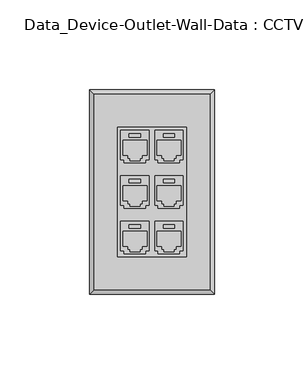
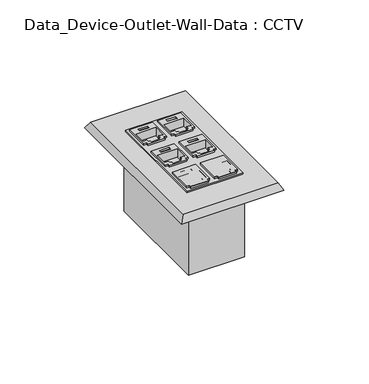
"""IFC4 building model written with IfcOpenShell, lengths in millimetres: electric appliance geometry, Data_Device-Outlet-Wall-Data : CCTV."""

from ifc_helpers import new_model, si_unit, frame, origin, place, context, project, spatial, polyline, outline, extrude, faceted_brep, source, transform, mapped, element, save


def data_device_outlet_wall_data_cctv_8153a15e(model_context):
    return source(origin(), model_context, "Body", "SolidModel", [
        faceted_brep([(12.7, -20.14, 5.0355231), (12.7, -18.235, 5.0355231), (6.35, -18.235, 5.0355231), (6.35, -20.14, 5.0355231), (6.35, -20.14, 6.3055231), (12.7, -20.14, 6.3055231), (6.35, -18.235, 6.3055231), (12.7, -18.235, 6.3055231), (17.399, -34.4298547, 3.8315631), (17.399, -32.8423547, 3.8315631), (15.52448, -32.8423547, 3.8315631), (15.52448, -34.4298547, 3.8315631), (17.399, -32.8423547, 6.3055231), (15.52448, -32.8423547, 6.3055231), (15.52448, -34.4298547, 6.3055231), (1.651, -32.8423547, 3.8315631), (1.651, -34.4298547, 3.8315631), (3.52552, -34.4298547, 3.8315631), (3.52552, -32.8423547, 3.8315631), (1.651, -32.8423547, 6.3055231), (3.52552, -32.8423547, 6.3055231), (3.52552, -34.4298547, 6.3055231), (17.399, -34.4298547, -8.1429581), (17.399, -33.6201453, -12.7444769), (17.399, -32.897258, -12.7444769), (17.399, -32.5451453, -18.9944769), (17.399, -32.5451453, -19.3194769), (17.399, -32.4701453, -20.4694769), (17.399, -32.3911513, -24.9194769), (17.399, -16.3701453, -24.9194769), (17.399, -16.3701453, 6.3055231), (1.651, -16.3701453, 6.3055231), (1.651, -16.3701453, -24.9194769), (1.651, -32.3911513, -24.9194769), (1.651, -32.4701453, -20.4694769), (1.651, -32.5451453, -19.3194769), (1.651, -32.5451453, -18.9944769), (1.651, -32.897258, -12.7444769), (1.651, -33.6201453, -12.7444769), (1.651, -34.4298547, -8.1429581), (16.25, -22.0048547, 6.3055231), (2.8, -22.0048547, 6.3055231), (2.8, -22.0048547, -6.3944769), (16.25, -22.0048547, -6.3944769), (16.25, -30.3548547, 6.3055231), (16.25, -30.3548547, -6.3944769), (13.45, -30.3548547, 6.3055231), (13.45, -30.3548547, -6.3944769), (13.45, -32.0298547, 6.3055231), (13.45, -32.0298547, -6.3944769), (12.325, -32.0298547, 6.3055231), (12.325, -32.0298547, -6.3944769), (12.325, -33.3298547, 6.3055231), (12.325, -33.3298547, -6.3944769), (6.725, -33.3298547, 6.3055231), (6.725, -33.3298547, -6.3944769), (6.725, -32.0298547, 6.3055231), (6.725, -32.0298547, -6.3944769), (5.625, -32.0298547, 6.3055231), (5.625, -32.0298547, -6.3944769), (5.625, -30.3548547, 6.3055231), (5.625, -30.3548547, -6.3944769), (2.8, -30.3548547, 6.3055231), (2.8, -30.3548547, -6.3944769)], [[[0, 1, 2, 3]], [[3, 4, 5, 0]], [[2, 6, 4, 3]], [[1, 7, 6, 2]], [[0, 5, 7, 1]], [[8, 9, 10, 11]], [[9, 12, 13, 10]], [[10, 13, 14, 11]], [[15, 16, 17, 18]], [[19, 15, 18, 20]], [[20, 18, 17, 21]], [[12, 9, 8, 22, 23, 24, 25, 26, 27, 28, 29, 30]], [[16, 15, 19, 31, 32, 33, 34, 35, 36, 37, 38, 39]], [[8, 11, 14, 21, 17, 16, 39, 22]], [[40, 41, 42, 43]], [[44, 40, 43, 45]], [[46, 44, 45, 47]], [[48, 46, 47, 49]], [[50, 48, 49, 51]], [[52, 50, 51, 53]], [[54, 52, 53, 55]], [[56, 54, 55, 57]], [[58, 56, 57, 59]], [[60, 58, 59, 61]], [[62, 60, 61, 63]], [[41, 62, 63, 42]], [[42, 63, 61, 59, 57, 55, 53, 51, 49, 47, 45, 43]], [[35, 34, 27, 26]], [[34, 33, 28, 27]], [[33, 32, 29, 28]], [[32, 31, 30, 29]], [[13, 12, 30, 31, 19, 20, 21, 14], [5, 4, 6, 7], [41, 40, 44, 46, 48, 50, 52, 54, 56, 58, 60, 62]], [[39, 38, 23, 22]], [[38, 37, 24, 23]], [[37, 36, 25, 24]], [[36, 35, 26, 25]]]),
        faceted_brep([(-6.35, -20.14, 5.0355231), (-6.35, -18.235, 5.0355231), (-12.7, -18.235, 5.0355231), (-12.7, -20.14, 5.0355231), (-12.7, -20.14, 6.3055231), (-6.35, -20.14, 6.3055231), (-12.7, -18.235, 6.3055231), (-6.35, -18.235, 6.3055231), (-1.651, -34.4298547, 3.8315631), (-1.651, -32.8423547, 3.8315631), (-3.52552, -32.8423547, 3.8315631), (-3.52552, -34.4298547, 3.8315631), (-1.651, -32.8423547, 6.3055231), (-3.52552, -32.8423547, 6.3055231), (-3.52552, -34.4298547, 6.3055231), (-17.399, -32.8423547, 3.8315631), (-17.399, -34.4298547, 3.8315631), (-15.52448, -34.4298547, 3.8315631), (-15.52448, -32.8423547, 3.8315631), (-17.399, -32.8423547, 6.3055231), (-15.52448, -32.8423547, 6.3055231), (-15.52448, -34.4298547, 6.3055231), (-1.651, -34.4298547, -8.1429581), (-1.651, -33.6201453, -12.7444769), (-1.651, -32.897258, -12.7444769), (-1.651, -32.5451453, -18.9944769), (-1.651, -32.5451453, -19.3194769), (-1.651, -32.4701453, -20.4694769), (-1.651, -32.3911513, -24.9194769), (-1.651, -16.3701453, -24.9194769), (-1.651, -16.3701453, 6.3055231), (-17.399, -16.3701453, 6.3055231), (-17.399, -16.3701453, -24.9194769), (-17.399, -32.3911513, -24.9194769), (-17.399, -32.4701453, -20.4694769), (-17.399, -32.5451453, -19.3194769), (-17.399, -32.5451453, -18.9944769), (-17.399, -32.897258, -12.7444769), (-17.399, -33.6201453, -12.7444769), (-17.399, -34.4298547, -8.1429581), (-2.8, -22.0048547, 6.3055231), (-16.25, -22.0048547, 6.3055231), (-16.25, -22.0048547, -6.3944769), (-2.8, -22.0048547, -6.3944769), (-2.8, -30.3548547, 6.3055231), (-2.8, -30.3548547, -6.3944769), (-5.6, -30.3548547, 6.3055231), (-5.6, -30.3548547, -6.3944769), (-5.6, -32.0298547, 6.3055231), (-5.6, -32.0298547, -6.3944769), (-6.725, -32.0298547, 6.3055231), (-6.725, -32.0298547, -6.3944769), (-6.725, -33.3298547, 6.3055231), (-6.725, -33.3298547, -6.3944769), (-12.325, -33.3298547, 6.3055231), (-12.325, -33.3298547, -6.3944769), (-12.325, -32.0298547, 6.3055231), (-12.325, -32.0298547, -6.3944769), (-13.425, -32.0298547, 6.3055231), (-13.425, -32.0298547, -6.3944769), (-13.425, -30.3548547, 6.3055231), (-13.425, -30.3548547, -6.3944769), (-16.25, -30.3548547, 6.3055231), (-16.25, -30.3548547, -6.3944769)], [[[0, 1, 2, 3]], [[3, 4, 5, 0]], [[2, 6, 4, 3]], [[1, 7, 6, 2]], [[0, 5, 7, 1]], [[8, 9, 10, 11]], [[9, 12, 13, 10]], [[10, 13, 14, 11]], [[15, 16, 17, 18]], [[19, 15, 18, 20]], [[20, 18, 17, 21]], [[12, 9, 8, 22, 23, 24, 25, 26, 27, 28, 29, 30]], [[16, 15, 19, 31, 32, 33, 34, 35, 36, 37, 38, 39]], [[8, 11, 14, 21, 17, 16, 39, 22]], [[40, 41, 42, 43]], [[44, 40, 43, 45]], [[46, 44, 45, 47]], [[48, 46, 47, 49]], [[50, 48, 49, 51]], [[52, 50, 51, 53]], [[54, 52, 53, 55]], [[56, 54, 55, 57]], [[58, 56, 57, 59]], [[60, 58, 59, 61]], [[62, 60, 61, 63]], [[41, 62, 63, 42]], [[42, 63, 61, 59, 57, 55, 53, 51, 49, 47, 45, 43]], [[35, 34, 27, 26]], [[34, 33, 28, 27]], [[33, 32, 29, 28]], [[32, 31, 30, 29]], [[13, 12, 30, 31, 19, 20, 21, 14], [5, 4, 6, 7], [41, 40, 44, 46, 48, 50, 52, 54, 56, 58, 60, 62]], [[39, 38, 23, 22]], [[38, 37, 24, 23]], [[37, 36, 25, 24]], [[36, 35, 26, 25]]]),
        faceted_brep([(12.7, 5.26, 5.0355231), (12.7, 7.165, 5.0355231), (6.35, 7.165, 5.0355231), (6.35, 5.26, 5.0355231), (6.35, 5.26, 6.3055231), (12.7, 5.26, 6.3055231), (6.35, 7.165, 6.3055231), (12.7, 7.165, 6.3055231), (17.399, -9.0298547, 3.8315631), (17.399, -7.4423547, 3.8315631), (15.52448, -7.4423547, 3.8315631), (15.52448, -9.0298547, 3.8315631), (17.399, -7.4423547, 6.3055231), (15.52448, -7.4423547, 6.3055231), (15.52448, -9.0298547, 6.3055231), (1.651, -7.4423547, 3.8315631), (1.651, -9.0298547, 3.8315631), (3.52552, -9.0298547, 3.8315631), (3.52552, -7.4423547, 3.8315631), (1.651, -7.4423547, 6.3055231), (3.52552, -7.4423547, 6.3055231), (3.52552, -9.0298547, 6.3055231), (17.399, -9.0298547, -8.1429581), (17.399, -8.2201453, -12.7444769), (17.399, -7.497258, -12.7444769), (17.399, -7.1451453, -18.9944769), (17.399, -7.1451453, -19.3194769), (17.399, -7.0701453, -20.4694769), (17.399, -6.9911513, -24.9194769), (17.399, 9.0298547, -24.9194769), (17.399, 9.0298547, 6.3055231), (1.651, 9.0298547, 6.3055231), (1.651, 9.0298547, -24.9194769), (1.651, -6.9911513, -24.9194769), (1.651, -7.0701453, -20.4694769), (1.651, -7.1451453, -19.3194769), (1.651, -7.1451453, -18.9944769), (1.651, -7.497258, -12.7444769), (1.651, -8.2201453, -12.7444769), (1.651, -9.0298547, -8.1429581), (16.25, 3.3951453, 6.3055231), (2.8, 3.3951453, 6.3055231), (2.8, 3.3951453, -6.3944769), (16.25, 3.3951453, -6.3944769), (16.25, -4.9548547, 6.3055231), (16.25, -4.9548547, -6.3944769), (13.45, -4.9548547, 6.3055231), (13.45, -4.9548547, -6.3944769), (13.45, -6.6298547, 6.3055231), (13.45, -6.6298547, -6.3944769), (12.325, -6.6298547, 6.3055231), (12.325, -6.6298547, -6.3944769), (12.325, -7.9298547, 6.3055231), (12.325, -7.9298547, -6.3944769), (6.725, -7.9298547, 6.3055231), (6.725, -7.9298547, -6.3944769), (6.725, -6.6298547, 6.3055231), (6.725, -6.6298547, -6.3944769), (5.625, -6.6298547, 6.3055231), (5.625, -6.6298547, -6.3944769), (5.625, -4.9548547, 6.3055231), (5.625, -4.9548547, -6.3944769), (2.8, -4.9548547, 6.3055231), (2.8, -4.9548547, -6.3944769)], [[[0, 1, 2, 3]], [[3, 4, 5, 0]], [[2, 6, 4, 3]], [[1, 7, 6, 2]], [[0, 5, 7, 1]], [[8, 9, 10, 11]], [[9, 12, 13, 10]], [[10, 13, 14, 11]], [[15, 16, 17, 18]], [[19, 15, 18, 20]], [[20, 18, 17, 21]], [[12, 9, 8, 22, 23, 24, 25, 26, 27, 28, 29, 30]], [[16, 15, 19, 31, 32, 33, 34, 35, 36, 37, 38, 39]], [[8, 11, 14, 21, 17, 16, 39, 22]], [[40, 41, 42, 43]], [[44, 40, 43, 45]], [[46, 44, 45, 47]], [[48, 46, 47, 49]], [[50, 48, 49, 51]], [[52, 50, 51, 53]], [[54, 52, 53, 55]], [[56, 54, 55, 57]], [[58, 56, 57, 59]], [[60, 58, 59, 61]], [[62, 60, 61, 63]], [[41, 62, 63, 42]], [[42, 63, 61, 59, 57, 55, 53, 51, 49, 47, 45, 43]], [[35, 34, 27, 26]], [[34, 33, 28, 27]], [[33, 32, 29, 28]], [[32, 31, 30, 29]], [[13, 12, 30, 31, 19, 20, 21, 14], [5, 4, 6, 7], [41, 40, 44, 46, 48, 50, 52, 54, 56, 58, 60, 62]], [[39, 38, 23, 22]], [[38, 37, 24, 23]], [[37, 36, 25, 24]], [[36, 35, 26, 25]]]),
        faceted_brep([(-6.35, 5.26, 5.0355231), (-6.35, 7.165, 5.0355231), (-12.7, 7.165, 5.0355231), (-12.7, 5.26, 5.0355231), (-12.7, 5.26, 6.3055231), (-6.35, 5.26, 6.3055231), (-12.7, 7.165, 6.3055231), (-6.35, 7.165, 6.3055231), (-1.651, -9.0298547, 3.8315631), (-1.651, -7.4423547, 3.8315631), (-3.52552, -7.4423547, 3.8315631), (-3.52552, -9.0298547, 3.8315631), (-1.651, -7.4423547, 6.3055231), (-3.52552, -7.4423547, 6.3055231), (-3.52552, -9.0298547, 6.3055231), (-17.399, -7.4423547, 3.8315631), (-17.399, -9.0298547, 3.8315631), (-15.52448, -9.0298547, 3.8315631), (-15.52448, -7.4423547, 3.8315631), (-17.399, -7.4423547, 6.3055231), (-15.52448, -7.4423547, 6.3055231), (-15.52448, -9.0298547, 6.3055231), (-1.651, -9.0298547, -8.1429581), (-1.651, -8.2201453, -12.7444769), (-1.651, -7.497258, -12.7444769), (-1.651, -7.1451453, -18.9944769), (-1.651, -7.1451453, -19.3194769), (-1.651, -7.0701453, -20.4694769), (-1.651, -6.9911513, -24.9194769), (-1.651, 9.0298547, -24.9194769), (-1.651, 9.0298547, 6.3055231), (-17.399, 9.0298547, 6.3055231), (-17.399, 9.0298547, -24.9194769), (-17.399, -6.9911513, -24.9194769), (-17.399, -7.0701453, -20.4694769), (-17.399, -7.1451453, -19.3194769), (-17.399, -7.1451453, -18.9944769), (-17.399, -7.497258, -12.7444769), (-17.399, -8.2201453, -12.7444769), (-17.399, -9.0298547, -8.1429581), (-2.8, 3.3951453, 6.3055231), (-16.25, 3.3951453, 6.3055231), (-16.25, 3.3951453, -6.3944769), (-2.8, 3.3951453, -6.3944769), (-2.8, -4.9548547, 6.3055231), (-2.8, -4.9548547, -6.3944769), (-5.6, -4.9548547, 6.3055231), (-5.6, -4.9548547, -6.3944769), (-5.6, -6.6298547, 6.3055231), (-5.6, -6.6298547, -6.3944769), (-6.725, -6.6298547, 6.3055231), (-6.725, -6.6298547, -6.3944769), (-6.725, -7.9298547, 6.3055231), (-6.725, -7.9298547, -6.3944769), (-12.325, -7.9298547, 6.3055231), (-12.325, -7.9298547, -6.3944769), (-12.325, -6.6298547, 6.3055231), (-12.325, -6.6298547, -6.3944769), (-13.425, -6.6298547, 6.3055231), (-13.425, -6.6298547, -6.3944769), (-13.425, -4.9548547, 6.3055231), (-13.425, -4.9548547, -6.3944769), (-16.25, -4.9548547, 6.3055231), (-16.25, -4.9548547, -6.3944769)], [[[0, 1, 2, 3]], [[3, 4, 5, 0]], [[2, 6, 4, 3]], [[1, 7, 6, 2]], [[0, 5, 7, 1]], [[8, 9, 10, 11]], [[9, 12, 13, 10]], [[10, 13, 14, 11]], [[15, 16, 17, 18]], [[19, 15, 18, 20]], [[20, 18, 17, 21]], [[12, 9, 8, 22, 23, 24, 25, 26, 27, 28, 29, 30]], [[16, 15, 19, 31, 32, 33, 34, 35, 36, 37, 38, 39]], [[8, 11, 14, 21, 17, 16, 39, 22]], [[40, 41, 42, 43]], [[44, 40, 43, 45]], [[46, 44, 45, 47]], [[48, 46, 47, 49]], [[50, 48, 49, 51]], [[52, 50, 51, 53]], [[54, 52, 53, 55]], [[56, 54, 55, 57]], [[58, 56, 57, 59]], [[60, 58, 59, 61]], [[62, 60, 61, 63]], [[41, 62, 63, 42]], [[42, 63, 61, 59, 57, 55, 53, 51, 49, 47, 45, 43]], [[35, 34, 27, 26]], [[34, 33, 28, 27]], [[33, 32, 29, 28]], [[32, 31, 30, 29]], [[13, 12, 30, 31, 19, 20, 21, 14], [5, 4, 6, 7], [41, 40, 44, 46, 48, 50, 52, 54, 56, 58, 60, 62]], [[39, 38, 23, 22]], [[38, 37, 24, 23]], [[37, 36, 25, 24]], [[36, 35, 26, 25]]]),
        faceted_brep([(12.7, 30.66, 5.0355231), (12.7, 32.565, 5.0355231), (6.35, 32.565, 5.0355231), (6.35, 30.66, 5.0355231), (6.35, 30.66, 6.3055231), (12.7, 30.66, 6.3055231), (6.35, 32.565, 6.3055231), (12.7, 32.565, 6.3055231), (17.399, 16.3701453, 3.8315631), (17.399, 17.9576453, 3.8315631), (15.52448, 17.9576453, 3.8315631), (15.52448, 16.3701453, 3.8315631), (17.399, 17.9576453, 6.3055231), (15.52448, 17.9576453, 6.3055231), (15.52448, 16.3701453, 6.3055231), (1.651, 17.9576453, 3.8315631), (1.651, 16.3701453, 3.8315631), (3.52552, 16.3701453, 3.8315631), (3.52552, 17.9576453, 3.8315631), (1.651, 17.9576453, 6.3055231), (3.52552, 17.9576453, 6.3055231), (3.52552, 16.3701453, 6.3055231), (17.399, 16.3701453, -8.1429581), (17.399, 17.1798547, -12.7444769), (17.399, 17.902742, -12.7444769), (17.399, 18.2548547, -18.9944769), (17.399, 18.2548547, -19.3194769), (17.399, 18.3298547, -20.4694769), (17.399, 18.4088487, -24.9194769), (17.399, 34.4298547, -24.9194769), (17.399, 34.4298547, 6.3055231), (1.651, 34.4298547, 6.3055231), (1.651, 34.4298547, -24.9194769), (1.651, 18.4088487, -24.9194769), (1.651, 18.3298547, -20.4694769), (1.651, 18.2548547, -19.3194769), (1.651, 18.2548547, -18.9944769), (1.651, 17.902742, -12.7444769), (1.651, 17.1798547, -12.7444769), (1.651, 16.3701453, -8.1429581), (16.25, 28.7951453, 6.3055231), (2.8, 28.7951453, 6.3055231), (2.8, 28.7951453, -6.3944769), (16.25, 28.7951453, -6.3944769), (16.25, 20.4451453, 6.3055231), (16.25, 20.4451453, -6.3944769), (13.45, 20.4451453, 6.3055231), (13.45, 20.4451453, -6.3944769), (13.45, 18.7701453, 6.3055231), (13.45, 18.7701453, -6.3944769), (12.325, 18.7701453, 6.3055231), (12.325, 18.7701453, -6.3944769), (12.325, 17.4701453, 6.3055231), (12.325, 17.4701453, -6.3944769), (6.725, 17.4701453, 6.3055231), (6.725, 17.4701453, -6.3944769), (6.725, 18.7701453, 6.3055231), (6.725, 18.7701453, -6.3944769), (5.625, 18.7701453, 6.3055231), (5.625, 18.7701453, -6.3944769), (5.625, 20.4451453, 6.3055231), (5.625, 20.4451453, -6.3944769), (2.8, 20.4451453, 6.3055231), (2.8, 20.4451453, -6.3944769)], [[[0, 1, 2, 3]], [[3, 4, 5, 0]], [[2, 6, 4, 3]], [[1, 7, 6, 2]], [[0, 5, 7, 1]], [[8, 9, 10, 11]], [[9, 12, 13, 10]], [[10, 13, 14, 11]], [[15, 16, 17, 18]], [[19, 15, 18, 20]], [[20, 18, 17, 21]], [[12, 9, 8, 22, 23, 24, 25, 26, 27, 28, 29, 30]], [[16, 15, 19, 31, 32, 33, 34, 35, 36, 37, 38, 39]], [[8, 11, 14, 21, 17, 16, 39, 22]], [[40, 41, 42, 43]], [[44, 40, 43, 45]], [[46, 44, 45, 47]], [[48, 46, 47, 49]], [[50, 48, 49, 51]], [[52, 50, 51, 53]], [[54, 52, 53, 55]], [[56, 54, 55, 57]], [[58, 56, 57, 59]], [[60, 58, 59, 61]], [[62, 60, 61, 63]], [[41, 62, 63, 42]], [[42, 63, 61, 59, 57, 55, 53, 51, 49, 47, 45, 43]], [[35, 34, 27, 26]], [[34, 33, 28, 27]], [[33, 32, 29, 28]], [[32, 31, 30, 29]], [[13, 12, 30, 31, 19, 20, 21, 14], [5, 4, 6, 7], [41, 40, 44, 46, 48, 50, 52, 54, 56, 58, 60, 62]], [[39, 38, 23, 22]], [[38, 37, 24, 23]], [[37, 36, 25, 24]], [[36, 35, 26, 25]]]),
        faceted_brep([(-6.35, 30.66, 5.0355231), (-6.35, 32.565, 5.0355231), (-12.7, 32.565, 5.0355231), (-12.7, 30.66, 5.0355231), (-12.7, 30.66, 6.3055231), (-6.35, 30.66, 6.3055231), (-12.7, 32.565, 6.3055231), (-6.35, 32.565, 6.3055231), (-1.651, 16.3701453, 3.8315631), (-1.651, 17.9576453, 3.8315631), (-3.52552, 17.9576453, 3.8315631), (-3.52552, 16.3701453, 3.8315631), (-1.651, 17.9576453, 6.3055231), (-3.52552, 17.9576453, 6.3055231), (-3.52552, 16.3701453, 6.3055231), (-17.399, 17.9576453, 3.8315631), (-17.399, 16.3701453, 3.8315631), (-15.52448, 16.3701453, 3.8315631), (-15.52448, 17.9576453, 3.8315631), (-17.399, 17.9576453, 6.3055231), (-15.52448, 17.9576453, 6.3055231), (-15.52448, 16.3701453, 6.3055231), (-1.651, 16.3701453, -8.1429581), (-1.651, 17.1798547, -12.7444769), (-1.651, 17.902742, -12.7444769), (-1.651, 18.2548547, -18.9944769), (-1.651, 18.2548547, -19.3194769), (-1.651, 18.3298547, -20.4694769), (-1.651, 18.4088487, -24.9194769), (-1.651, 34.4298547, -24.9194769), (-1.651, 34.4298547, 6.3055231), (-17.399, 34.4298547, 6.3055231), (-17.399, 34.4298547, -24.9194769), (-17.399, 18.4088487, -24.9194769), (-17.399, 18.3298547, -20.4694769), (-17.399, 18.2548547, -19.3194769), (-17.399, 18.2548547, -18.9944769), (-17.399, 17.902742, -12.7444769), (-17.399, 17.1798547, -12.7444769), (-17.399, 16.3701453, -8.1429581), (-2.8, 28.7951453, 6.3055231), (-16.25, 28.7951453, 6.3055231), (-16.25, 28.7951453, -6.3944769), (-2.8, 28.7951453, -6.3944769), (-2.8, 20.4451453, 6.3055231), (-2.8, 20.4451453, -6.3944769), (-5.6, 20.4451453, 6.3055231), (-5.6, 20.4451453, -6.3944769), (-5.6, 18.7701453, 6.3055231), (-5.6, 18.7701453, -6.3944769), (-6.725, 18.7701453, 6.3055231), (-6.725, 18.7701453, -6.3944769), (-6.725, 17.4701453, 6.3055231), (-6.725, 17.4701453, -6.3944769), (-12.325, 17.4701453, 6.3055231), (-12.325, 17.4701453, -6.3944769), (-12.325, 18.7701453, 6.3055231), (-12.325, 18.7701453, -6.3944769), (-13.425, 18.7701453, 6.3055231), (-13.425, 18.7701453, -6.3944769), (-13.425, 20.4451453, 6.3055231), (-13.425, 20.4451453, -6.3944769), (-16.25, 20.4451453, 6.3055231), (-16.25, 20.4451453, -6.3944769)], [[[0, 1, 2, 3]], [[3, 4, 5, 0]], [[2, 6, 4, 3]], [[1, 7, 6, 2]], [[0, 5, 7, 1]], [[8, 9, 10, 11]], [[9, 12, 13, 10]], [[10, 13, 14, 11]], [[15, 16, 17, 18]], [[19, 15, 18, 20]], [[20, 18, 17, 21]], [[12, 9, 8, 22, 23, 24, 25, 26, 27, 28, 29, 30]], [[16, 15, 19, 31, 32, 33, 34, 35, 36, 37, 38, 39]], [[8, 11, 14, 21, 17, 16, 39, 22]], [[40, 41, 42, 43]], [[44, 40, 43, 45]], [[46, 44, 45, 47]], [[48, 46, 47, 49]], [[50, 48, 49, 51]], [[52, 50, 51, 53]], [[54, 52, 53, 55]], [[56, 54, 55, 57]], [[58, 56, 57, 59]], [[60, 58, 59, 61]], [[62, 60, 61, 63]], [[41, 62, 63, 42]], [[42, 63, 61, 59, 57, 55, 53, 51, 49, 47, 45, 43]], [[35, 34, 27, 26]], [[34, 33, 28, 27]], [[33, 32, 29, 28]], [[32, 31, 30, 29]], [[13, 12, 30, 31, 19, 20, 21, 14], [5, 4, 6, 7], [41, 40, 44, 46, 48, 50, 52, 54, 56, 58, 60, 62]], [[39, 38, 23, 22]], [[38, 37, 24, 23]], [[37, 36, 25, 24]], [[36, 35, 26, 25]]]),
        faceted_brep([(19.05, 38.1, 0.0), (-19.05, 38.1, 0.0), (-19.05, -38.1, 0.0), (19.05, -38.1, 0.0), (-16.25, 20.4451453, 0.0), (-16.25, 28.7951453, 0.0), (-2.8, 28.7951453, 0.0), (-2.8, 20.4451453, 0.0), (-5.6, 20.4451453, 0.0), (-5.6, 18.7701453, 0.0), (-6.725, 18.7701453, 0.0), (-6.725, 17.4701453, 0.0), (-12.325, 17.4701453, 0.0), (-12.325, 18.7701453, 0.0), (-13.425, 18.7701453, 0.0), (-13.425, 20.4451453, 0.0), (2.8, 20.4451453, 0.0), (2.8, 28.7951453, 0.0), (16.25, 28.7951453, 0.0), (16.25, 20.4451453, 0.0), (13.45, 20.4451453, 0.0), (13.45, 18.7701453, 0.0), (12.325, 18.7701453, 0.0), (12.325, 17.4701453, 0.0), (6.725, 17.4701453, 0.0), (6.725, 18.7701453, 0.0), (5.625, 18.7701453, 0.0), (5.625, 20.4451453, 0.0), (2.8, -4.9548547, 0.0), (2.8, 3.3951453, 0.0), (16.25, 3.3951453, 0.0), (16.25, -4.9548547, 0.0), (13.45, -4.9548547, 0.0), (13.45, -6.6298547, 0.0), (12.325, -6.6298547, 0.0), (12.325, -7.9298547, 0.0), (6.725, -7.9298547, 0.0), (6.725, -6.6298547, 0.0), (5.625, -6.6298547, 0.0), (5.625, -4.9548547, 0.0), (-16.25, -4.9548547, 0.0), (-16.25, 3.3951453, 0.0), (-2.8, 3.3951453, 0.0), (-2.8, -4.9548547, 0.0), (-5.6, -4.9548547, 0.0), (-5.6, -6.6298547, 0.0), (-6.725, -6.6298547, 0.0), (-6.725, -7.9298547, 0.0), (-12.325, -7.9298547, 0.0), (-12.325, -6.6298547, 0.0), (-13.425, -6.6298547, 0.0), (-13.425, -4.9548547, 0.0), (-16.25, -30.3548547, 0.0), (-16.25, -22.0048547, 0.0), (-2.8, -22.0048547, 0.0), (-2.8, -30.3548547, 0.0), (-5.6, -30.3548547, 0.0), (-5.6, -32.0298547, 0.0), (-6.725, -32.0298547, 0.0), (-6.725, -33.3298547, 0.0), (-12.325, -33.3298547, 0.0), (-12.325, -32.0298547, 0.0), (-13.425, -32.0298547, 0.0), (-13.425, -30.3548547, 0.0), (2.8, -30.3548547, 0.0), (2.8, -22.0048547, 0.0), (16.25, -22.0048547, 0.0), (16.25, -30.3548547, 0.0), (13.45, -30.3548547, 0.0), (13.45, -32.0298547, 0.0), (12.325, -32.0298547, 0.0), (12.325, -33.3298547, 0.0), (6.725, -33.3298547, 0.0), (6.725, -32.0298547, 0.0), (5.625, -32.0298547, 0.0), (5.625, -30.3548547, 0.0), (-12.7, -18.235, 0.0), (-6.35, -18.235, 0.0), (-6.35, -20.14, 0.0), (-12.7, -20.14, 0.0), (6.35, -18.235, 0.0), (12.7, -18.235, 0.0), (12.7, -20.14, 0.0), (6.35, -20.14, 0.0), (6.35, 7.165, 0.0), (12.7, 7.165, 0.0), (12.7, 5.26, 0.0), (6.35, 5.26, 0.0), (-12.7, 7.165, 0.0), (-6.35, 7.165, 0.0), (-6.35, 5.26, 0.0), (-12.7, 5.26, 0.0), (-12.7, 32.565, 0.0), (-6.35, 32.565, 0.0), (-6.35, 30.66, 0.0), (-12.7, 30.66, 0.0), (6.35, 32.565, 0.0), (12.7, 32.565, 0.0), (12.7, 30.66, 0.0), (6.35, 30.66, 0.0), (19.05, 38.1, -53.975), (19.05, -38.1, -53.975), (-19.05, -38.1, -53.975), (-19.05, 38.1, -53.975), (-16.25, 28.7951453, -5.7510427), (-16.25, 20.4451453, -5.7510427), (-13.425, 20.4451453, -5.7510427), (-13.425, 18.7701453, -5.7510427), (-12.325, 18.7701453, -5.7510427), (-12.325, 17.4701453, -5.7510427), (-6.725, 17.4701453, -5.7510427), (-6.725, 18.7701453, -5.7510427), (-5.6, 18.7701453, -5.7510427), (-5.6, 20.4451453, -5.7510427), (-2.8, 20.4451453, -5.7510427), (-2.8, 28.7951453, -5.7510427), (2.8, 28.7951453, -5.7510427), (2.8, 20.4451453, -5.7510427), (5.625, 20.4451453, -5.7510427), (5.625, 18.7701453, -5.7510427), (6.725, 18.7701453, -5.7510427), (6.725, 17.4701453, -5.7510427), (12.325, 17.4701453, -5.7510427), (12.325, 18.7701453, -5.7510427), (13.45, 18.7701453, -5.7510427), (13.45, 20.4451453, -5.7510427), (16.25, 20.4451453, -5.7510427), (16.25, 28.7951453, -5.7510427), (2.8, 3.3951453, -5.7510427), (2.8, -4.9548547, -5.7510427), (5.625, -4.9548547, -5.7510427), (5.625, -6.6298547, -5.7510427), (6.725, -6.6298547, -5.7510427), (6.725, -7.9298547, -5.7510427), (12.325, -7.9298547, -5.7510427), (12.325, -6.6298547, -5.7510427), (13.45, -6.6298547, -5.7510427), (13.45, -4.9548547, -5.7510427), (16.25, -4.9548547, -5.7510427), (16.25, 3.3951453, -5.7510427), (-16.25, 3.3951453, -5.7510427), (-16.25, -4.9548547, -5.7510427), (-13.425, -4.9548547, -5.7510427), (-13.425, -6.6298547, -5.7510427), (-12.325, -6.6298547, -5.7510427), (-12.325, -7.9298547, -5.7510427), (-6.725, -7.9298547, -5.7510427), (-6.725, -6.6298547, -5.7510427), (-5.6, -6.6298547, -5.7510427), (-5.6, -4.9548547, -5.7510427), (-2.8, -4.9548547, -5.7510427), (-2.8, 3.3951453, -5.7510427), (-16.25, -22.0048547, -5.7510427), (-16.25, -30.3548547, -5.7510427), (-13.425, -30.3548547, -5.7510427), (-13.425, -32.0298547, -5.7510427), (-12.325, -32.0298547, -5.7510427), (-12.325, -33.3298547, -5.7510427), (-6.725, -33.3298547, -5.7510427), (-6.725, -32.0298547, -5.7510427), (-5.6, -32.0298547, -5.7510427), (-5.6, -30.3548547, -5.7510427), (-2.8, -30.3548547, -5.7510427), (-2.8, -22.0048547, -5.7510427), (2.8, -22.0048547, -5.7510427), (2.8, -30.3548547, -5.7510427), (5.625, -30.3548547, -5.7510427), (5.625, -32.0298547, -5.7510427), (6.725, -32.0298547, -5.7510427), (6.725, -33.3298547, -5.7510427), (12.325, -33.3298547, -5.7510427), (12.325, -32.0298547, -5.7510427), (13.45, -32.0298547, -5.7510427), (13.45, -30.3548547, -5.7510427), (16.25, -30.3548547, -5.7510427), (16.25, -22.0048547, -5.7510427), (-6.35, -18.235, -5.7510427), (-12.7, -18.235, -5.7510427), (-12.7, -20.14, -5.7510427), (-6.35, -20.14, -5.7510427), (12.7, -18.235, -5.7510427), (6.35, -18.235, -5.7510427), (6.35, -20.14, -5.7510427), (12.7, -20.14, -5.7510427), (12.7, 7.165, -5.7510427), (6.35, 7.165, -5.7510427), (6.35, 5.26, -5.7510427), (12.7, 5.26, -5.7510427), (-6.35, 7.165, -5.7510427), (-12.7, 7.165, -5.7510427), (-12.7, 5.26, -5.7510427), (-6.35, 5.26, -5.7510427), (-6.35, 32.565, -5.7510427), (-12.7, 32.565, -5.7510427), (-12.7, 30.66, -5.7510427), (-6.35, 30.66, -5.7510427), (12.7, 32.565, -5.7510427), (6.35, 32.565, -5.7510427), (6.35, 30.66, -5.7510427), (12.7, 30.66, -5.7510427)], [[[0, 1, 2, 3], [4, 5, 6, 7, 8, 9, 10, 11, 12, 13, 14, 15], [16, 17, 18, 19, 20, 21, 22, 23, 24, 25, 26, 27], [28, 29, 30, 31, 32, 33, 34, 35, 36, 37, 38, 39], [40, 41, 42, 43, 44, 45, 46, 47, 48, 49, 50, 51], [52, 53, 54, 55, 56, 57, 58, 59, 60, 61, 62, 63], [64, 65, 66, 67, 68, 69, 70, 71, 72, 73, 74, 75], [76, 77, 78, 79], [80, 81, 82, 83], [84, 85, 86, 87], [88, 89, 90, 91], [92, 93, 94, 95], [96, 97, 98, 99]], [[100, 101, 102, 103]], [[1, 0, 100, 103]], [[2, 1, 103, 102]], [[3, 2, 102, 101]], [[0, 3, 101, 100]], [[104, 105, 106, 107, 108, 109, 110, 111, 112, 113, 114, 115]], [[116, 117, 118, 119, 120, 121, 122, 123, 124, 125, 126, 127]], [[128, 129, 130, 131, 132, 133, 134, 135, 136, 137, 138, 139]], [[140, 141, 142, 143, 144, 145, 146, 147, 148, 149, 150, 151]], [[152, 153, 154, 155, 156, 157, 158, 159, 160, 161, 162, 163]], [[164, 165, 166, 167, 168, 169, 170, 171, 172, 173, 174, 175]], [[176, 177, 178, 179]], [[180, 181, 182, 183]], [[184, 185, 186, 187]], [[188, 189, 190, 191]], [[192, 193, 194, 195]], [[196, 197, 198, 199]], [[105, 104, 5, 4]], [[106, 105, 4, 15]], [[107, 106, 15, 14]], [[108, 107, 14, 13]], [[109, 108, 13, 12]], [[110, 109, 12, 11]], [[111, 110, 11, 10]], [[112, 111, 10, 9]], [[113, 112, 9, 8]], [[114, 113, 8, 7]], [[115, 114, 7, 6]], [[104, 115, 6, 5]], [[117, 116, 17, 16]], [[118, 117, 16, 27]], [[119, 118, 27, 26]], [[120, 119, 26, 25]], [[121, 120, 25, 24]], [[122, 121, 24, 23]], [[123, 122, 23, 22]], [[124, 123, 22, 21]], [[125, 124, 21, 20]], [[126, 125, 20, 19]], [[127, 126, 19, 18]], [[116, 127, 18, 17]], [[129, 128, 29, 28]], [[130, 129, 28, 39]], [[131, 130, 39, 38]], [[132, 131, 38, 37]], [[133, 132, 37, 36]], [[134, 133, 36, 35]], [[135, 134, 35, 34]], [[136, 135, 34, 33]], [[137, 136, 33, 32]], [[138, 137, 32, 31]], [[139, 138, 31, 30]], [[128, 139, 30, 29]], [[141, 140, 41, 40]], [[142, 141, 40, 51]], [[143, 142, 51, 50]], [[144, 143, 50, 49]], [[145, 144, 49, 48]], [[146, 145, 48, 47]], [[147, 146, 47, 46]], [[148, 147, 46, 45]], [[149, 148, 45, 44]], [[150, 149, 44, 43]], [[151, 150, 43, 42]], [[140, 151, 42, 41]], [[153, 152, 53, 52]], [[154, 153, 52, 63]], [[155, 154, 63, 62]], [[156, 155, 62, 61]], [[157, 156, 61, 60]], [[158, 157, 60, 59]], [[159, 158, 59, 58]], [[160, 159, 58, 57]], [[161, 160, 57, 56]], [[162, 161, 56, 55]], [[163, 162, 55, 54]], [[152, 163, 54, 53]], [[165, 164, 65, 64]], [[166, 165, 64, 75]], [[167, 166, 75, 74]], [[168, 167, 74, 73]], [[169, 168, 73, 72]], [[170, 169, 72, 71]], [[171, 170, 71, 70]], [[172, 171, 70, 69]], [[173, 172, 69, 68]], [[174, 173, 68, 67]], [[175, 174, 67, 66]], [[164, 175, 66, 65]], [[177, 176, 77, 76]], [[178, 177, 76, 79]], [[179, 178, 79, 78]], [[176, 179, 78, 77]], [[181, 180, 81, 80]], [[182, 181, 80, 83]], [[183, 182, 83, 82]], [[180, 183, 82, 81]], [[185, 184, 85, 84]], [[186, 185, 84, 87]], [[187, 186, 87, 86]], [[184, 187, 86, 85]], [[189, 188, 89, 88]], [[190, 189, 88, 91]], [[191, 190, 91, 90]], [[188, 191, 90, 89]], [[193, 192, 93, 92]], [[194, 193, 92, 95]], [[195, 194, 95, 94]], [[192, 195, 94, 93]], [[197, 196, 97, 96]], [[198, 197, 96, 99]], [[199, 198, 99, 98]], [[196, 199, 98, 97]]]),
        extrude(outline(polyline([(-1.651, -16.3701453), (-1.651, -32.8423547), (-3.52552, -32.8423547), (-3.52552, -34.4298547), (-15.52448, -34.4298547), (-15.52448, -32.8423547), (-17.399, -32.8423547), (-17.399, -16.3701453), (-1.651, -16.3701453)])), frame((0.0, 0.0, 6.3055231), z_axis=(0.0, 0.0, 1.0), x_axis=(1.0, 0.0, 0.0)), (0.0, 0.0, 1.0), 0.3250119),
        extrude(outline(polyline([(17.399, -16.3701453), (17.399, -32.8423547), (15.52448, -32.8423547), (15.52448, -34.4298547), (3.52552, -34.4298547), (3.52552, -32.8423547), (1.651, -32.8423547), (1.651, -16.3701453), (17.399, -16.3701453)])), frame((0.0, 0.0, 6.3055231), z_axis=(0.0, 0.0, 1.0), x_axis=(1.0, 0.0, 0.0)), (0.0, 0.0, 1.0), 0.3250119),
        faceted_brep([(-19.1950512, 36.2259059, 5.4121352), (-19.1950512, -36.2259059, 5.4121352), (19.1950512, -36.2259059, 5.4121352), (19.1950512, 36.2259059, 5.4121352), (-16.25, 20.4451453, 5.4121352), (-16.25, 28.7951453, 5.4121352), (-2.8, 28.7951453, 5.4121352), (-2.8, 20.4451453, 5.4121352), (-5.6, 20.4451453, 5.4121352), (-5.6, 18.7701453, 5.4121352), (-6.725, 18.7701453, 5.4121352), (-6.725, 17.4701453, 5.4121352), (-12.325, 17.4701453, 5.4121352), (-12.325, 18.7701453, 5.4121352), (-13.425, 18.7701453, 5.4121352), (-13.425, 20.4451453, 5.4121352), (-12.7, 30.66, 5.4121352), (-12.7, 32.565, 5.4121352), (-6.35, 32.565, 5.4121352), (-6.35, 30.66, 5.4121352), (2.8, 20.4451453, 5.4121352), (2.8, 28.7951453, 5.4121352), (16.25, 28.7951453, 5.4121352), (16.25, 20.4451453, 5.4121352), (13.45, 20.4451453, 5.4121352), (13.45, 18.7701453, 5.4121352), (12.325, 18.7701453, 5.4121352), (12.325, 17.4701453, 5.4121352), (6.725, 17.4701453, 5.4121352), (6.725, 18.7701453, 5.4121352), (5.625, 18.7701453, 5.4121352), (5.625, 20.4451453, 5.4121352), (6.35, 30.66, 5.4121352), (6.35, 32.565, 5.4121352), (12.7, 32.565, 5.4121352), (12.7, 30.66, 5.4121352), (2.8, -4.9548547, 5.4121352), (2.8, 3.3951453, 5.4121352), (16.25, 3.3951453, 5.4121352), (16.25, -4.9548547, 5.4121352), (13.45, -4.9548547, 5.4121352), (13.45, -6.6298547, 5.4121352), (12.325, -6.6298547, 5.4121352), (12.325, -7.9298547, 5.4121352), (6.725, -7.9298547, 5.4121352), (6.725, -6.6298547, 5.4121352), (5.625, -6.6298547, 5.4121352), (5.625, -4.9548547, 5.4121352), (6.35, 5.26, 5.4121352), (6.35, 7.165, 5.4121352), (12.7, 7.165, 5.4121352), (12.7, 5.26, 5.4121352), (-16.25, -4.9548547, 5.4121352), (-16.25, 3.3951453, 5.4121352), (-2.8, 3.3951453, 5.4121352), (-2.8, -4.9548547, 5.4121352), (-5.6, -4.9548547, 5.4121352), (-5.6, -6.6298547, 5.4121352), (-6.725, -6.6298547, 5.4121352), (-6.725, -7.9298547, 5.4121352), (-12.325, -7.9298547, 5.4121352), (-12.325, -6.6298547, 5.4121352), (-13.425, -6.6298547, 5.4121352), (-13.425, -4.9548547, 5.4121352), (-12.7, 5.26, 5.4121352), (-12.7, 7.165, 5.4121352), (-6.35, 7.165, 5.4121352), (-6.35, 5.26, 5.4121352), (-16.25, -30.3548547, 5.4121352), (-16.25, -22.0048547, 5.4121352), (-2.8, -22.0048547, 5.4121352), (-2.8, -30.3548547, 5.4121352), (-5.6, -30.3548547, 5.4121352), (-5.6, -32.0298547, 5.4121352), (-6.725, -32.0298547, 5.4121352), (-6.725, -33.3298547, 5.4121352), (-12.325, -33.3298547, 5.4121352), (-12.325, -32.0298547, 5.4121352), (-13.425, -32.0298547, 5.4121352), (-13.425, -30.3548547, 5.4121352), (-12.7, -20.14, 5.4121352), (-12.7, -18.235, 5.4121352), (-6.35, -18.235, 5.4121352), (-6.35, -20.14, 5.4121352), (2.8, -30.3548547, 5.4121352), (2.8, -22.0048547, 5.4121352), (16.25, -22.0048547, 5.4121352), (16.25, -30.3548547, 5.4121352), (13.45, -30.3548547, 5.4121352), (13.45, -32.0298547, 5.4121352), (12.325, -32.0298547, 5.4121352), (12.325, -33.3298547, 5.4121352), (6.725, -33.3298547, 5.4121352), (6.725, -32.0298547, 5.4121352), (5.625, -32.0298547, 5.4121352), (5.625, -30.3548547, 5.4121352), (6.35, -20.14, 5.4121352), (6.35, -18.235, 5.4121352), (12.7, -18.235, 5.4121352), (12.7, -20.14, 5.4121352), (-19.1950512, 36.2259059, 0.0), (19.1950512, 36.2259059, 0.0), (19.1950512, -36.2259059, 0.0), (-19.1950512, -36.2259059, 0.0), (-16.25, 28.7951453, 0.6458461), (-16.25, 20.4451453, 0.6458461), (-13.425, 20.4451453, 0.6458461), (-13.425, 18.7701453, 0.6458461), (-12.325, 18.7701453, 0.6458461), (-12.325, 17.4701453, 0.6458461), (-6.725, 17.4701453, 0.6458461), (-6.725, 18.7701453, 0.6458461), (-5.6, 18.7701453, 0.6458461), (-5.6, 20.4451453, 0.6458461), (-2.8, 20.4451453, 0.6458461), (-2.8, 28.7951453, 0.6458461), (-12.7, 32.565, 0.6458461), (-12.7, 30.66, 0.6458461), (-6.35, 30.66, 0.6458461), (-6.35, 32.565, 0.6458461), (2.8, 28.7951453, 0.6458461), (2.8, 20.4451453, 0.6458461), (5.625, 20.4451453, 0.6458461), (5.625, 18.7701453, 0.6458461), (6.725, 18.7701453, 0.6458461), (6.725, 17.4701453, 0.6458461), (12.325, 17.4701453, 0.6458461), (12.325, 18.7701453, 0.6458461), (13.45, 18.7701453, 0.6458461), (13.45, 20.4451453, 0.6458461), (16.25, 20.4451453, 0.6458461), (16.25, 28.7951453, 0.6458461), (6.35, 32.565, 0.6458461), (6.35, 30.66, 0.6458461), (12.7, 30.66, 0.6458461), (12.7, 32.565, 0.6458461), (2.8, 3.3951453, 0.6458461), (2.8, -4.9548547, 0.6458461), (5.625, -4.9548547, 0.6458461), (5.625, -6.6298547, 0.6458461), (6.725, -6.6298547, 0.6458461), (6.725, -7.9298547, 0.6458461), (12.325, -7.9298547, 0.6458461), (12.325, -6.6298547, 0.6458461), (13.45, -6.6298547, 0.6458461), (13.45, -4.9548547, 0.6458461), (16.25, -4.9548547, 0.6458461), (16.25, 3.3951453, 0.6458461), (6.35, 7.165, 0.6458461), (6.35, 5.26, 0.6458461), (12.7, 5.26, 0.6458461), (12.7, 7.165, 0.6458461), (-16.25, 3.3951453, 0.6458461), (-16.25, -4.9548547, 0.6458461), (-13.425, -4.9548547, 0.6458461), (-13.425, -6.6298547, 0.6458461), (-12.325, -6.6298547, 0.6458461), (-12.325, -7.9298547, 0.6458461), (-6.725, -7.9298547, 0.6458461), (-6.725, -6.6298547, 0.6458461), (-5.6, -6.6298547, 0.6458461), (-5.6, -4.9548547, 0.6458461), (-2.8, -4.9548547, 0.6458461), (-2.8, 3.3951453, 0.6458461), (-12.7, 7.165, 0.6458461), (-12.7, 5.26, 0.6458461), (-6.35, 5.26, 0.6458461), (-6.35, 7.165, 0.6458461), (-16.25, -22.0048547, 0.6458461), (-16.25, -30.3548547, 0.6458461), (-13.425, -30.3548547, 0.6458461), (-13.425, -32.0298547, 0.6458461), (-12.325, -32.0298547, 0.6458461), (-12.325, -33.3298547, 0.6458461), (-6.725, -33.3298547, 0.6458461), (-6.725, -32.0298547, 0.6458461), (-5.6, -32.0298547, 0.6458461), (-5.6, -30.3548547, 0.6458461), (-2.8, -30.3548547, 0.6458461), (-2.8, -22.0048547, 0.6458461), (-12.7, -18.235, 0.6458461), (-12.7, -20.14, 0.6458461), (-6.35, -20.14, 0.6458461), (-6.35, -18.235, 0.6458461), (2.8, -22.0048547, 0.6458461), (2.8, -30.3548547, 0.6458461), (5.625, -30.3548547, 0.6458461), (5.625, -32.0298547, 0.6458461), (6.725, -32.0298547, 0.6458461), (6.725, -33.3298547, 0.6458461), (12.325, -33.3298547, 0.6458461), (12.325, -32.0298547, 0.6458461), (13.45, -32.0298547, 0.6458461), (13.45, -30.3548547, 0.6458461), (16.25, -30.3548547, 0.6458461), (16.25, -22.0048547, 0.6458461), (6.35, -18.235, 0.6458461), (6.35, -20.14, 0.6458461), (12.7, -20.14, 0.6458461), (12.7, -18.235, 0.6458461)], [[[0, 1, 2, 3], [4, 5, 6, 7, 8, 9, 10, 11, 12, 13, 14, 15], [16, 17, 18, 19], [20, 21, 22, 23, 24, 25, 26, 27, 28, 29, 30, 31], [32, 33, 34, 35], [36, 37, 38, 39, 40, 41, 42, 43, 44, 45, 46, 47], [48, 49, 50, 51], [52, 53, 54, 55, 56, 57, 58, 59, 60, 61, 62, 63], [64, 65, 66, 67], [68, 69, 70, 71, 72, 73, 74, 75, 76, 77, 78, 79], [80, 81, 82, 83], [84, 85, 86, 87, 88, 89, 90, 91, 92, 93, 94, 95], [96, 97, 98, 99]], [[100, 101, 102, 103]], [[1, 0, 100, 103]], [[2, 1, 103, 102]], [[3, 2, 102, 101]], [[0, 3, 101, 100]], [[104, 105, 106, 107, 108, 109, 110, 111, 112, 113, 114, 115]], [[116, 117, 118, 119]], [[120, 121, 122, 123, 124, 125, 126, 127, 128, 129, 130, 131]], [[132, 133, 134, 135]], [[136, 137, 138, 139, 140, 141, 142, 143, 144, 145, 146, 147]], [[148, 149, 150, 151]], [[152, 153, 154, 155, 156, 157, 158, 159, 160, 161, 162, 163]], [[164, 165, 166, 167]], [[168, 169, 170, 171, 172, 173, 174, 175, 176, 177, 178, 179]], [[180, 181, 182, 183]], [[184, 185, 186, 187, 188, 189, 190, 191, 192, 193, 194, 195]], [[196, 197, 198, 199]], [[105, 104, 5, 4]], [[106, 105, 4, 15]], [[107, 106, 15, 14]], [[108, 107, 14, 13]], [[109, 108, 13, 12]], [[110, 109, 12, 11]], [[111, 110, 11, 10]], [[112, 111, 10, 9]], [[113, 112, 9, 8]], [[114, 113, 8, 7]], [[115, 114, 7, 6]], [[104, 115, 6, 5]], [[117, 116, 17, 16]], [[118, 117, 16, 19]], [[119, 118, 19, 18]], [[116, 119, 18, 17]], [[121, 120, 21, 20]], [[122, 121, 20, 31]], [[123, 122, 31, 30]], [[124, 123, 30, 29]], [[125, 124, 29, 28]], [[126, 125, 28, 27]], [[127, 126, 27, 26]], [[128, 127, 26, 25]], [[129, 128, 25, 24]], [[130, 129, 24, 23]], [[131, 130, 23, 22]], [[120, 131, 22, 21]], [[133, 132, 33, 32]], [[134, 133, 32, 35]], [[135, 134, 35, 34]], [[132, 135, 34, 33]], [[137, 136, 37, 36]], [[138, 137, 36, 47]], [[139, 138, 47, 46]], [[140, 139, 46, 45]], [[141, 140, 45, 44]], [[142, 141, 44, 43]], [[143, 142, 43, 42]], [[144, 143, 42, 41]], [[145, 144, 41, 40]], [[146, 145, 40, 39]], [[147, 146, 39, 38]], [[136, 147, 38, 37]], [[149, 148, 49, 48]], [[150, 149, 48, 51]], [[151, 150, 51, 50]], [[148, 151, 50, 49]], [[153, 152, 53, 52]], [[154, 153, 52, 63]], [[155, 154, 63, 62]], [[156, 155, 62, 61]], [[157, 156, 61, 60]], [[158, 157, 60, 59]], [[159, 158, 59, 58]], [[160, 159, 58, 57]], [[161, 160, 57, 56]], [[162, 161, 56, 55]], [[163, 162, 55, 54]], [[152, 163, 54, 53]], [[165, 164, 65, 64]], [[166, 165, 64, 67]], [[167, 166, 67, 66]], [[164, 167, 66, 65]], [[169, 168, 69, 68]], [[170, 169, 68, 79]], [[171, 170, 79, 78]], [[172, 171, 78, 77]], [[173, 172, 77, 76]], [[174, 173, 76, 75]], [[175, 174, 75, 74]], [[176, 175, 74, 73]], [[177, 176, 73, 72]], [[178, 177, 72, 71]], [[179, 178, 71, 70]], [[168, 179, 70, 69]], [[181, 180, 81, 80]], [[182, 181, 80, 83]], [[183, 182, 83, 82]], [[180, 183, 82, 81]], [[185, 184, 85, 84]], [[186, 185, 84, 95]], [[187, 186, 95, 94]], [[188, 187, 94, 93]], [[189, 188, 93, 92]], [[190, 189, 92, 91]], [[191, 190, 91, 90]], [[192, 191, 90, 89]], [[193, 192, 89, 88]], [[194, 193, 88, 87]], [[195, 194, 87, 86]], [[184, 195, 86, 85]], [[197, 196, 97, 96]], [[198, 197, 96, 99]], [[199, 198, 99, 98]], [[196, 199, 98, 97]]]),
        faceted_brep([(32.3453125, 54.5703125, 4.7583827), (-32.3453125, 54.5703125, 4.7583827), (-32.3453125, -54.5703125, 4.7583827), (32.3453125, -54.5703125, 4.7583827), (-16.25, 20.4451453, 4.7583827), (-16.25, 28.7951453, 4.7583827), (-2.8, 28.7951453, 4.7583827), (-2.8, 20.4451453, 4.7583827), (-5.6, 20.4451453, 4.7583827), (-5.6, 18.7701453, 4.7583827), (-6.725, 18.7701453, 4.7583827), (-6.725, 17.4701453, 4.7583827), (-12.325, 17.4701453, 4.7583827), (-12.325, 18.7701453, 4.7583827), (-13.425, 18.7701453, 4.7583827), (-13.425, 20.4451453, 4.7583827), (-12.7, 30.66, 4.7583827), (-12.7, 32.565, 4.7583827), (-6.35, 32.565, 4.7583827), (-6.35, 30.66, 4.7583827), (2.8, 20.4451453, 4.7583827), (2.8, 28.7951453, 4.7583827), (16.25, 28.7951453, 4.7583827), (16.25, 20.4451453, 4.7583827), (13.45, 20.4451453, 4.7583827), (13.45, 18.7701453, 4.7583827), (12.325, 18.7701453, 4.7583827), (12.325, 17.4701453, 4.7583827), (6.725, 17.4701453, 4.7583827), (6.725, 18.7701453, 4.7583827), (5.625, 18.7701453, 4.7583827), (5.625, 20.4451453, 4.7583827), (6.35, 30.66, 4.7583827), (6.35, 32.565, 4.7583827), (12.7, 32.565, 4.7583827), (12.7, 30.66, 4.7583827), (2.8, -4.9548547, 4.7583827), (2.8, 3.3951453, 4.7583827), (16.25, 3.3951453, 4.7583827), (16.25, -4.9548547, 4.7583827), (13.45, -4.9548547, 4.7583827), (13.45, -6.6298547, 4.7583827), (12.325, -6.6298547, 4.7583827), (12.325, -7.9298547, 4.7583827), (6.725, -7.9298547, 4.7583827), (6.725, -6.6298547, 4.7583827), (5.625, -6.6298547, 4.7583827), (5.625, -4.9548547, 4.7583827), (6.35, 5.26, 4.7583827), (6.35, 7.165, 4.7583827), (12.7, 7.165, 4.7583827), (12.7, 5.26, 4.7583827), (-16.25, -4.9548547, 4.7583827), (-16.25, 3.3951453, 4.7583827), (-2.8, 3.3951453, 4.7583827), (-2.8, -4.9548547, 4.7583827), (-5.6, -4.9548547, 4.7583827), (-5.6, -6.6298547, 4.7583827), (-6.725, -6.6298547, 4.7583827), (-6.725, -7.9298547, 4.7583827), (-12.325, -7.9298547, 4.7583827), (-12.325, -6.6298547, 4.7583827), (-13.425, -6.6298547, 4.7583827), (-13.425, -4.9548547, 4.7583827), (-12.7, 5.26, 4.7583827), (-12.7, 7.165, 4.7583827), (-6.35, 7.165, 4.7583827), (-6.35, 5.26, 4.7583827), (-16.25, -30.3548547, 4.7583827), (-16.25, -22.0048547, 4.7583827), (-2.8, -22.0048547, 4.7583827), (-2.8, -30.3548547, 4.7583827), (-5.6, -30.3548547, 4.7583827), (-5.6, -32.0298547, 4.7583827), (-6.725, -32.0298547, 4.7583827), (-6.725, -33.3298547, 4.7583827), (-12.325, -33.3298547, 4.7583827), (-12.325, -32.0298547, 4.7583827), (-13.425, -32.0298547, 4.7583827), (-13.425, -30.3548547, 4.7583827), (-12.7, -20.14, 4.7583827), (-12.7, -18.235, 4.7583827), (-6.35, -18.235, 4.7583827), (-6.35, -20.14, 4.7583827), (2.8, -30.3548547, 4.7583827), (2.8, -22.0048547, 4.7583827), (16.25, -22.0048547, 4.7583827), (16.25, -30.3548547, 4.7583827), (13.45, -30.3548547, 4.7583827), (13.45, -32.0298547, 4.7583827), (12.325, -32.0298547, 4.7583827), (12.325, -33.3298547, 4.7583827), (6.725, -33.3298547, 4.7583827), (6.725, -32.0298547, 4.7583827), (5.625, -32.0298547, 4.7583827), (5.625, -30.3548547, 4.7583827), (6.35, -20.14, 4.7583827), (6.35, -18.235, 4.7583827), (12.7, -18.235, 4.7583827), (12.7, -20.14, 4.7583827), (34.925, 57.15, 0.0), (34.925, -57.15, 0.0), (-34.925, -57.15, 0.0), (-34.925, 57.15, 0.0), (-16.25, 28.7951453, 0.6458461), (-16.25, 20.4451453, 0.6458461), (-13.425, 20.4451453, 0.6458461), (-13.425, 18.7701453, 0.6458461), (-12.325, 18.7701453, 0.6458461), (-12.325, 17.4701453, 0.6458461), (-6.725, 17.4701453, 0.6458461), (-6.725, 18.7701453, 0.6458461), (-5.6, 18.7701453, 0.6458461), (-5.6, 20.4451453, 0.6458461), (-2.8, 20.4451453, 0.6458461), (-2.8, 28.7951453, 0.6458461), (-12.7, 32.565, 0.6458461), (-12.7, 30.66, 0.6458461), (-6.35, 30.66, 0.6458461), (-6.35, 32.565, 0.6458461), (2.8, 28.7951453, 0.6458461), (2.8, 20.4451453, 0.6458461), (5.625, 20.4451453, 0.6458461), (5.625, 18.7701453, 0.6458461), (6.725, 18.7701453, 0.6458461), (6.725, 17.4701453, 0.6458461), (12.325, 17.4701453, 0.6458461), (12.325, 18.7701453, 0.6458461), (13.45, 18.7701453, 0.6458461), (13.45, 20.4451453, 0.6458461), (16.25, 20.4451453, 0.6458461), (16.25, 28.7951453, 0.6458461), (6.35, 32.565, 0.6458461), (6.35, 30.66, 0.6458461), (12.7, 30.66, 0.6458461), (12.7, 32.565, 0.6458461), (2.8, 3.3951453, 0.6458461), (2.8, -4.9548547, 0.6458461), (5.625, -4.9548547, 0.6458461), (5.625, -6.6298547, 0.6458461), (6.725, -6.6298547, 0.6458461), (6.725, -7.9298547, 0.6458461), (12.325, -7.9298547, 0.6458461), (12.325, -6.6298547, 0.6458461), (13.45, -6.6298547, 0.6458461), (13.45, -4.9548547, 0.6458461), (16.25, -4.9548547, 0.6458461), (16.25, 3.3951453, 0.6458461), (6.35, 7.165, 0.6458461), (6.35, 5.26, 0.6458461), (12.7, 5.26, 0.6458461), (12.7, 7.165, 0.6458461), (-16.25, 3.3951453, 0.6458461), (-16.25, -4.9548547, 0.6458461), (-13.425, -4.9548547, 0.6458461), (-13.425, -6.6298547, 0.6458461), (-12.325, -6.6298547, 0.6458461), (-12.325, -7.9298547, 0.6458461), (-6.725, -7.9298547, 0.6458461), (-6.725, -6.6298547, 0.6458461), (-5.6, -6.6298547, 0.6458461), (-5.6, -4.9548547, 0.6458461), (-2.8, -4.9548547, 0.6458461), (-2.8, 3.3951453, 0.6458461), (-12.7, 7.165, 0.6458461), (-12.7, 5.26, 0.6458461), (-6.35, 5.26, 0.6458461), (-6.35, 7.165, 0.6458461), (-16.25, -22.0048547, 0.6458461), (-16.25, -30.3548547, 0.6458461), (-13.425, -30.3548547, 0.6458461), (-13.425, -32.0298547, 0.6458461), (-12.325, -32.0298547, 0.6458461), (-12.325, -33.3298547, 0.6458461), (-6.725, -33.3298547, 0.6458461), (-6.725, -32.0298547, 0.6458461), (-5.6, -32.0298547, 0.6458461), (-5.6, -30.3548547, 0.6458461), (-2.8, -30.3548547, 0.6458461), (-2.8, -22.0048547, 0.6458461), (-12.7, -18.235, 0.6458461), (-12.7, -20.14, 0.6458461), (-6.35, -20.14, 0.6458461), (-6.35, -18.235, 0.6458461), (2.8, -22.0048547, 0.6458461), (2.8, -30.3548547, 0.6458461), (5.625, -30.3548547, 0.6458461), (5.625, -32.0298547, 0.6458461), (6.725, -32.0298547, 0.6458461), (6.725, -33.3298547, 0.6458461), (12.325, -33.3298547, 0.6458461), (12.325, -32.0298547, 0.6458461), (13.45, -32.0298547, 0.6458461), (13.45, -30.3548547, 0.6458461), (16.25, -30.3548547, 0.6458461), (16.25, -22.0048547, 0.6458461), (6.35, -18.235, 0.6458461), (6.35, -20.14, 0.6458461), (12.7, -20.14, 0.6458461), (12.7, -18.235, 0.6458461)], [[[0, 1, 2, 3], [4, 5, 6, 7, 8, 9, 10, 11, 12, 13, 14, 15], [16, 17, 18, 19], [20, 21, 22, 23, 24, 25, 26, 27, 28, 29, 30, 31], [32, 33, 34, 35], [36, 37, 38, 39, 40, 41, 42, 43, 44, 45, 46, 47], [48, 49, 50, 51], [52, 53, 54, 55, 56, 57, 58, 59, 60, 61, 62, 63], [64, 65, 66, 67], [68, 69, 70, 71, 72, 73, 74, 75, 76, 77, 78, 79], [80, 81, 82, 83], [84, 85, 86, 87, 88, 89, 90, 91, 92, 93, 94, 95], [96, 97, 98, 99]], [[100, 101, 102, 103]], [[1, 0, 100, 103]], [[2, 1, 103, 102]], [[3, 2, 102, 101]], [[0, 3, 101, 100]], [[104, 105, 106, 107, 108, 109, 110, 111, 112, 113, 114, 115]], [[116, 117, 118, 119]], [[120, 121, 122, 123, 124, 125, 126, 127, 128, 129, 130, 131]], [[132, 133, 134, 135]], [[136, 137, 138, 139, 140, 141, 142, 143, 144, 145, 146, 147]], [[148, 149, 150, 151]], [[152, 153, 154, 155, 156, 157, 158, 159, 160, 161, 162, 163]], [[164, 165, 166, 167]], [[168, 169, 170, 171, 172, 173, 174, 175, 176, 177, 178, 179]], [[180, 181, 182, 183]], [[184, 185, 186, 187, 188, 189, 190, 191, 192, 193, 194, 195]], [[196, 197, 198, 199]], [[105, 104, 5, 4]], [[106, 105, 4, 15]], [[107, 106, 15, 14]], [[108, 107, 14, 13]], [[109, 108, 13, 12]], [[110, 109, 12, 11]], [[111, 110, 11, 10]], [[112, 111, 10, 9]], [[113, 112, 9, 8]], [[114, 113, 8, 7]], [[115, 114, 7, 6]], [[104, 115, 6, 5]], [[117, 116, 17, 16]], [[118, 117, 16, 19]], [[119, 118, 19, 18]], [[116, 119, 18, 17]], [[121, 120, 21, 20]], [[122, 121, 20, 31]], [[123, 122, 31, 30]], [[124, 123, 30, 29]], [[125, 124, 29, 28]], [[126, 125, 28, 27]], [[127, 126, 27, 26]], [[128, 127, 26, 25]], [[129, 128, 25, 24]], [[130, 129, 24, 23]], [[131, 130, 23, 22]], [[120, 131, 22, 21]], [[133, 132, 33, 32]], [[134, 133, 32, 35]], [[135, 134, 35, 34]], [[132, 135, 34, 33]], [[137, 136, 37, 36]], [[138, 137, 36, 47]], [[139, 138, 47, 46]], [[140, 139, 46, 45]], [[141, 140, 45, 44]], [[142, 141, 44, 43]], [[143, 142, 43, 42]], [[144, 143, 42, 41]], [[145, 144, 41, 40]], [[146, 145, 40, 39]], [[147, 146, 39, 38]], [[136, 147, 38, 37]], [[149, 148, 49, 48]], [[150, 149, 48, 51]], [[151, 150, 51, 50]], [[148, 151, 50, 49]], [[153, 152, 53, 52]], [[154, 153, 52, 63]], [[155, 154, 63, 62]], [[156, 155, 62, 61]], [[157, 156, 61, 60]], [[158, 157, 60, 59]], [[159, 158, 59, 58]], [[160, 159, 58, 57]], [[161, 160, 57, 56]], [[162, 161, 56, 55]], [[163, 162, 55, 54]], [[152, 163, 54, 53]], [[165, 164, 65, 64]], [[166, 165, 64, 67]], [[167, 166, 67, 66]], [[164, 167, 66, 65]], [[169, 168, 69, 68]], [[170, 169, 68, 79]], [[171, 170, 79, 78]], [[172, 171, 78, 77]], [[173, 172, 77, 76]], [[174, 173, 76, 75]], [[175, 174, 75, 74]], [[176, 175, 74, 73]], [[177, 176, 73, 72]], [[178, 177, 72, 71]], [[179, 178, 71, 70]], [[168, 179, 70, 69]], [[181, 180, 81, 80]], [[182, 181, 80, 83]], [[183, 182, 83, 82]], [[180, 183, 82, 81]], [[185, 184, 85, 84]], [[186, 185, 84, 95]], [[187, 186, 95, 94]], [[188, 187, 94, 93]], [[189, 188, 93, 92]], [[190, 189, 92, 91]], [[191, 190, 91, 90]], [[192, 191, 90, 89]], [[193, 192, 89, 88]], [[194, 193, 88, 87]], [[195, 194, 87, 86]], [[184, 195, 86, 85]], [[197, 196, 97, 96]], [[198, 197, 96, 99]], [[199, 198, 99, 98]], [[196, 199, 98, 97]]]),
    ])


if __name__ == "__main__":
    model = new_model("IFC4")
    model_context = context("Model", 3, world=origin())
    ifc_project = project(units=[si_unit("LENGTHUNIT", "METRE", prefix="MILLI")], contexts=[model_context])
    site = spatial("IfcSite", under=ifc_project)
    building = spatial("IfcBuilding", under=site)
    placement = place(None, origin())
    data_device_outlet_wall_data_cctv_shape = data_device_outlet_wall_data_cctv_8153a15e(model_context)
    element("IfcElectricAppliance", 1, ObjectType="Data_Device-Outlet-Wall-Data : CCTV", at=placement, inside=building, context=model_context, shape_type="MappedRepresentation", body=[
        mapped(data_device_outlet_wall_data_cctv_shape, transform((0.0, 0.0, 0.0), x_axis=(1.0, 0.0, 0.0), y_axis=(0.0, 1.0, 0.0), z_axis=(0.0, 0.0, 1.0))),
    ])
    save(model, "model.ifc")
